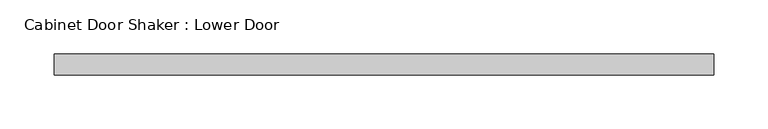
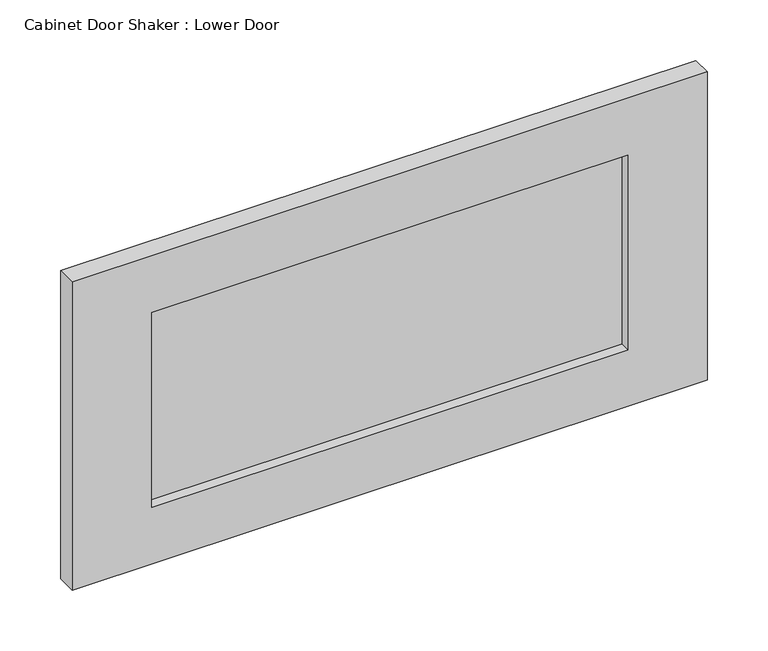
"""IFC4 building model written with IfcOpenShell, lengths in millimetres: proxy geometry, Cabinet Door Shaker : Lower Door."""

from ifc_helpers import new_model, si_unit, frame, origin, place, context, project, spatial, polyline, outline, extrude, source, transform, mapped, element, save


def cabinet_door_shaker_lower_door_933f94d6(model_context):
    return source(origin(), model_context, "Body", "SweptSolid", [
        extrude(outline(polyline([(227.0125, -9.525), (-227.0125, -9.525), (-227.0125, 0.0), (227.0125, 0.0), (227.0125, -9.525)])), frame((0.0, 0.0, 58.7375), z_axis=(0.0, 0.0, 1.0), x_axis=(1.0, 0.0, 0.0)), (0.0, 0.0, 1.0), 196.85),
        extrude(outline(polyline([(312.7375, 303.2125), (312.7375, -303.2125), (1.5875, -303.2125), (1.5875, 303.2125), (312.7375, 303.2125)]), holes=[polyline([(58.7375, 227.0125), (58.7375, -227.0125), (255.5875, -227.0125), (255.5875, 227.0125), (58.7375, 227.0125)])]), frame((0.0, -19.05, 0.0), z_axis=(0.0, 1.0, 0.0), x_axis=(0.0, 0.0, 1.0)), (0.0, 0.0, 1.0), 19.05),
    ])


if __name__ == "__main__":
    model = new_model("IFC4")
    model_context = context("Model", 3, world=origin())
    ifc_project = project(units=[si_unit("LENGTHUNIT", "METRE", prefix="MILLI")], contexts=[model_context])
    site = spatial("IfcSite", under=ifc_project)
    building = spatial("IfcBuilding", under=site)
    placement = place(None, origin())
    cabinet_door_shaker_lower_door_shape = cabinet_door_shaker_lower_door_933f94d6(model_context)
    element("IfcBuildingElementProxy", 1, Name="Cabinet Door Shaker : Lower Door", ObjectType="Cabinet Door Shaker : Lower Door", at=placement, inside=building, context=model_context, shape_type="MappedRepresentation", body=[
        mapped(cabinet_door_shaker_lower_door_shape, transform((0.0, 0.0, 0.0), x_axis=(1.0, 0.0, 0.0), y_axis=(0.0, 1.0, 0.0), z_axis=(0.0, 0.0, 1.0))),
    ])
    save(model, "model.ifc")
